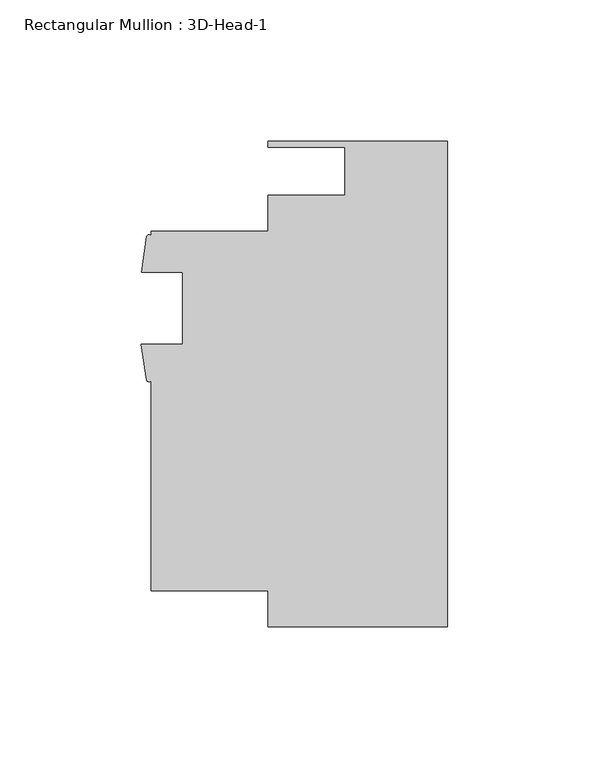
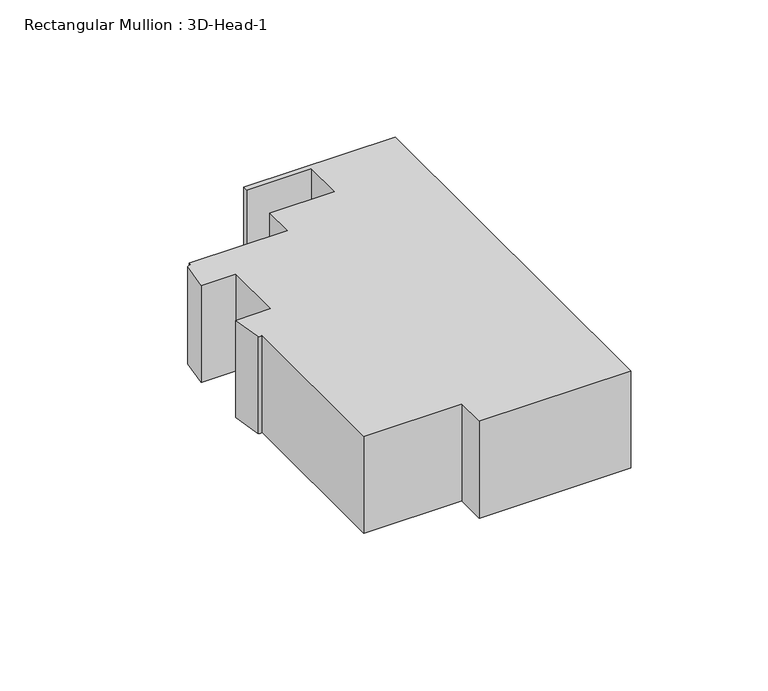
"""IFC4 building model written with IfcOpenShell, lengths in millimetres: member geometry, Rectangular Mullion : 3D-Head-1."""

from ifc_helpers import new_model, si_unit, point, frame, frame_2d, origin, place, context, project, spatial, polyline, circle_curve, trimmed, segment, composite_curve, outline, extrude, source, transform, mapped, element, save


def rectangular_mullion_3d_head_1_6ace7497(model_context):
    return source(origin(), model_context, "Body", "SweptSolid", [
        extrude(outline(composite_curve([segment(polyline([(0.0, -85.7249999), (-63.5322656, -85.7249999), (-63.5322656, -73.023969), (-104.7749997, -73.023969), (-104.7749997, 1.2994531)]), True, "CONTINUOUS"), segment(trimmed(circle_curve(frame_2d((-105.6067019, 1.8328959)), 0.9880737), [point((-104.7749997, 1.2994531))], [point((-106.4384041, 1.2994531))], False, "CARTESIAN"), True, "CONTINUOUS"), segment(polyline([(-106.4384041, 1.2994531), (-108.2945214, 14.0725059), (-93.6624997, 14.0725059), (-93.6624997, 39.4725059), (-108.1709997, 39.4725059), (-106.3608959, 52.2437935)]), True, "CONTINUOUS"), segment(trimmed(circle_curve(frame_2d((-105.5679478, 51.826203)), 0.8961856), [point((-106.3608959, 52.2437935))], [point((-104.7749997, 52.2437935))], False, "CARTESIAN"), True, "CONTINUOUS"), segment(polyline([(-104.7749997, 52.2437935), (-104.7749997, 53.976031), (-63.4999996, 53.976031), (-63.4999996, 66.7923427), (-36.3401991, 66.7923427), (-36.3401991, 83.6929999), (-63.4999996, 83.6929999), (-63.4999996, 85.7249999), (0.0, 85.7249999), (0.0, -85.7249999)]), True, "CONTINUOUS")], self_intersect=False)), frame((0.0, 0.0, -43.1454515), z_axis=(0.0, 0.0, 1.0), x_axis=(1.0, 0.0, 0.0)), (0.0, 0.0, 1.0), 43.1454515),
    ])


if __name__ == "__main__":
    model = new_model("IFC4")
    model_context = context("Model", 3, world=origin())
    ifc_project = project(units=[si_unit("LENGTHUNIT", "METRE", prefix="MILLI")], contexts=[model_context])
    site = spatial("IfcSite", under=ifc_project)
    building = spatial("IfcBuilding", under=site)
    placement = place(None, origin())
    rectangular_mullion_3d_head_1_shape = rectangular_mullion_3d_head_1_6ace7497(model_context)
    element("IfcMember", 1, ObjectType="Rectangular Mullion : 3D-Head-1", at=placement, inside=building, context=model_context, shape_type="MappedRepresentation", body=[
        mapped(rectangular_mullion_3d_head_1_shape, transform((0.0, 0.0, 0.0), x_axis=(1.0, 0.0, 0.0), y_axis=(0.0, 1.0, 0.0), z_axis=(0.0, 0.0, 1.0))),
    ])
    save(model, "model.ifc")
